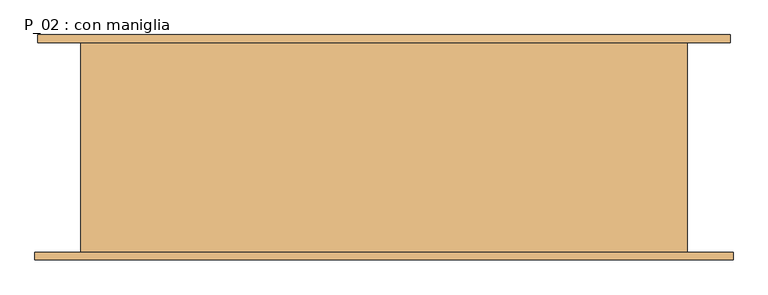
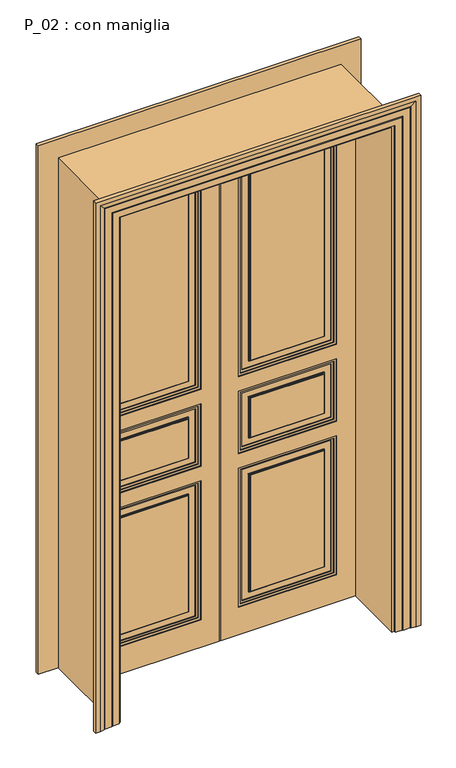
"""IFC4 building model written with IfcOpenShell, lengths in millimetres: door geometry, P_02 : con maniglia."""

from ifc_helpers import new_model, si_unit, frame, origin, origin_with_axes, place, context, project, spatial, polyline, outline, extrude, faceted_brep, source, transform, mapped, element, save


def p_02_con_maniglia_a0a0f9e9(model_context):
    return source(origin(), model_context, "Body", "SolidModel", [
        extrude(outline(polyline([(0.0, -615.0), (0.0, -610.0), (2395.0, -610.0), (2395.0, -2.5), (2400.0, -2.5), (2400.0, -615.0), (0.0, -615.0)])), frame((0.0, 85.0, 0.0), z_axis=(0.0, 1.0, 0.0), x_axis=(0.0, 0.0, 1.0)), (0.0, 0.0, 1.0), 5.0),
        extrude(outline(polyline([(0.0, 610.0), (0.0, 615.0), (2400.0, 615.0), (2400.0, 2.5), (2395.0, 2.5), (2395.0, 610.0), (0.0, 610.0)])), frame((0.0, 85.0, 0.0), z_axis=(0.0, 1.0, 0.0), x_axis=(0.0, 0.0, 1.0)), (0.0, 0.0, 1.0), 5.0),
        extrude(outline(polyline([(2.5, 97.0), (20.0, 97.0), (20.0, 90.0), (2.5, 90.0), (2.5, 97.0)])), frame((0.0, 0.0, 2395.0), z_axis=(0.0, 0.0, 1.0), x_axis=(1.0, 0.0, 0.0)), (0.0, 0.0, 1.0), 5.0),
        extrude(outline(polyline([(-2.5, 97.0), (-2.5, 90.0), (-20.0, 90.0), (-20.0, 97.0), (-2.5, 97.0)])), frame((0.0, 0.0, 2395.0), z_axis=(0.0, 0.0, 1.0), x_axis=(1.0, 0.0, 0.0)), (0.0, 0.0, 1.0), 5.0),
        extrude(outline(polyline([(2.5, 97.0), (20.0, 97.0), (20.0, 90.0), (2.5, 90.0), (2.5, 97.0)])), frame((0.0, 0.0, 2395.0), z_axis=(0.0, 0.0, 1.0), x_axis=(1.0, 0.0, 0.0)), (0.0, 0.0, 1.0), 5.0),
        extrude(outline(polyline([(-2.5, 97.0), (-2.5, 90.0), (-20.0, 90.0), (-20.0, 97.0), (-2.5, 97.0)])), frame((0.0, 0.0, 2395.0), z_axis=(0.0, 0.0, 1.0), x_axis=(1.0, 0.0, 0.0)), (0.0, 0.0, 1.0), 5.0),
        extrude(outline(polyline([(15.0, 97.0), (-15.0, 97.0), (-15.0, 107.0), (15.0, 107.0), (15.0, 97.0)])), origin_with_axes(), (0.0, 0.0, 1.0), 2400.0),
        extrude(outline(polyline([(20.0, 97.0), (15.0, 97.0), (15.0, 102.0), (20.0, 102.0), (20.0, 97.0)])), origin_with_axes(), (0.0, 0.0, 1.0), 2400.0),
        extrude(outline(polyline([(-15.0, 97.0), (-20.0, 97.0), (-20.0, 102.0), (-15.0, 102.0), (-15.0, 97.0)])), origin_with_axes(), (0.0, 0.0, 1.0), 2400.0),
        extrude(outline(polyline([(-470.0, 75.0), (-140.0, 75.0), (-140.0, 67.0), (-470.0, 67.0), (-470.0, 75.0)])), frame((0.0, 0.0, 185.0), z_axis=(0.0, 0.0, 1.0), x_axis=(1.0, 0.0, 0.0)), (0.0, 0.0, 1.0), 550.0),
        extrude(outline(polyline([(-470.0, 75.0), (-140.0, 75.0), (-140.0, 67.0), (-470.0, 67.0), (-470.0, 75.0)])), frame((0.0, 0.0, 915.0), z_axis=(0.0, 0.0, 1.0), x_axis=(1.0, 0.0, 0.0)), (0.0, 0.0, 1.0), 185.0),
        extrude(outline(polyline([(-470.0, 75.0), (-140.0, 75.0), (-140.0, 67.0), (-470.0, 67.0), (-470.0, 75.0)])), frame((0.0, 0.0, 1280.0), z_axis=(0.0, 0.0, 1.0), x_axis=(1.0, 0.0, 0.0)), (0.0, 0.0, 1.0), 975.0),
        extrude(outline(polyline([(2300.0, -95.0), (2300.0, -515.0), (1235.0, -515.0), (1235.0, -95.0), (2300.0, -95.0)]), holes=[polyline([(2290.0, -105.0), (1245.0, -105.0), (1245.0, -505.0), (2290.0, -505.0), (2290.0, -105.0)])]), frame((0.0, 71.0, 0.0), z_axis=(0.0, 1.0, 0.0), x_axis=(0.0, 0.0, 1.0)), (0.0, 0.0, 1.0), 4.0),
        extrude(outline(polyline([(780.0, -95.0), (780.0, -515.0), (140.0, -515.0), (140.0, -95.0), (780.0, -95.0)]), holes=[polyline([(770.0, -105.0), (150.0, -105.0), (150.0, -505.0), (770.0, -505.0), (770.0, -105.0)])]), frame((0.0, 71.0, 0.0), z_axis=(0.0, 1.0, 0.0), x_axis=(0.0, 0.0, 1.0)), (0.0, 0.0, 1.0), 4.0),
        extrude(outline(polyline([(740.0, -135.0), (740.0, -475.0), (180.0, -475.0), (180.0, -135.0), (740.0, -135.0)]), holes=[polyline([(735.0, -140.0), (185.0, -140.0), (185.0, -470.0), (735.0, -470.0), (735.0, -140.0)])]), frame((0.0, 71.0, 0.0), z_axis=(0.0, 1.0, 0.0), x_axis=(0.0, 0.0, 1.0)), (0.0, 0.0, 1.0), 4.0),
        extrude(outline(polyline([(1145.0, -95.0), (1145.0, -515.0), (870.0, -515.0), (870.0, -95.0), (1145.0, -95.0)]), holes=[polyline([(1135.0, -105.0), (880.0, -105.0), (880.0, -505.0), (1135.0, -505.0), (1135.0, -105.0)])]), frame((0.0, 71.0, 0.0), z_axis=(0.0, 1.0, 0.0), x_axis=(0.0, 0.0, 1.0)), (0.0, 0.0, 1.0), 4.0),
        extrude(outline(polyline([(1105.0, -135.0), (1105.0, -475.0), (910.0, -475.0), (910.0, -135.0), (1105.0, -135.0)]), holes=[polyline([(1100.0, -140.0), (915.0, -140.0), (915.0, -470.0), (1100.0, -470.0), (1100.0, -140.0)])]), frame((0.0, 71.0, 0.0), z_axis=(0.0, 1.0, 0.0), x_axis=(0.0, 0.0, 1.0)), (0.0, 0.0, 1.0), 4.0),
        extrude(outline(polyline([(2260.0, -135.0), (2260.0, -475.0), (1275.0, -475.0), (1275.0, -135.0), (2260.0, -135.0)]), holes=[polyline([(2255.0, -140.0), (1280.0, -140.0), (1280.0, -470.0), (2255.0, -470.0), (2255.0, -140.0)])]), frame((0.0, 71.0, 0.0), z_axis=(0.0, 1.0, 0.0), x_axis=(0.0, 0.0, 1.0)), (0.0, 0.0, 1.0), 4.0),
        extrude(outline(polyline([(1225.0, -85.0), (2310.0, -85.0), (2310.0, -525.0), (1225.0, -525.0), (1225.0, -85.0)]), holes=[polyline([(2300.0, -95.0), (1235.0, -95.0), (1235.0, -515.0), (2300.0, -515.0), (2300.0, -95.0)])]), frame((0.0, 67.0, 0.0), z_axis=(0.0, 1.0, 0.0), x_axis=(0.0, 0.0, 1.0)), (0.0, 0.0, 1.0), 8.0),
        extrude(outline(polyline([(130.0, -525.0), (130.0, -85.0), (790.0, -85.0), (790.0, -525.0), (130.0, -525.0)]), holes=[polyline([(780.0, -95.0), (140.0, -95.0), (140.0, -515.0), (780.0, -515.0), (780.0, -95.0)])]), frame((0.0, 67.0, 0.0), z_axis=(0.0, 1.0, 0.0), x_axis=(0.0, 0.0, 1.0)), (0.0, 0.0, 1.0), 8.0),
        extrude(outline(polyline([(1155.0, -85.0), (1155.0, -525.0), (860.0, -525.0), (860.0, -85.0), (1155.0, -85.0)]), holes=[polyline([(870.0, -95.0), (870.0, -515.0), (1145.0, -515.0), (1145.0, -95.0), (870.0, -95.0)])]), frame((0.0, 67.0, 0.0), z_axis=(0.0, 1.0, 0.0), x_axis=(0.0, 0.0, 1.0)), (0.0, 0.0, 1.0), 8.0),
        extrude(outline(polyline([(0.0, -610.0), (0.0, -2.5), (2395.0, -2.5), (2395.0, -610.0), (0.0, -610.0)]), holes=[polyline([(1225.0, -85.0), (1225.0, -525.0), (2310.0, -525.0), (2310.0, -85.0), (1225.0, -85.0)]), polyline([(130.0, -85.0), (130.0, -525.0), (790.0, -525.0), (790.0, -85.0), (130.0, -85.0)]), polyline([(1155.0, -525.0), (1155.0, -85.0), (860.0, -85.0), (860.0, -525.0), (1155.0, -525.0)])]), frame((0.0, 63.0, 0.0), z_axis=(0.0, 1.0, 0.0), x_axis=(0.0, 0.0, 1.0)), (0.0, 0.0, 1.0), 12.0),
        extrude(outline(polyline([(140.0, 75.0), (470.0, 75.0), (470.0, 67.0), (140.0, 67.0), (140.0, 75.0)])), frame((0.0, 0.0, 185.0), z_axis=(0.0, 0.0, 1.0), x_axis=(1.0, 0.0, 0.0)), (0.0, 0.0, 1.0), 550.0),
        extrude(outline(polyline([(140.0, 75.0), (470.0, 75.0), (470.0, 67.0), (140.0, 67.0), (140.0, 75.0)])), frame((0.0, 0.0, 915.0), z_axis=(0.0, 0.0, 1.0), x_axis=(1.0, 0.0, 0.0)), (0.0, 0.0, 1.0), 185.0),
        extrude(outline(polyline([(140.0, 75.0), (470.0, 75.0), (470.0, 67.0), (140.0, 67.0), (140.0, 75.0)])), frame((0.0, 0.0, 1280.0), z_axis=(0.0, 0.0, 1.0), x_axis=(1.0, 0.0, 0.0)), (0.0, 0.0, 1.0), 975.0),
        extrude(outline(polyline([(2300.0, 95.0), (1235.0, 95.0), (1235.0, 515.0), (2300.0, 515.0), (2300.0, 95.0)]), holes=[polyline([(2290.0, 105.0), (2290.0, 505.0), (1245.0, 505.0), (1245.0, 105.0), (2290.0, 105.0)])]), frame((0.0, 71.0, 0.0), z_axis=(0.0, 1.0, 0.0), x_axis=(0.0, 0.0, 1.0)), (0.0, 0.0, 1.0), 4.0),
        extrude(outline(polyline([(780.0, 95.0), (140.0, 95.0), (140.0, 515.0), (780.0, 515.0), (780.0, 95.0)]), holes=[polyline([(770.0, 105.0), (770.0, 505.0), (150.0, 505.0), (150.0, 105.0), (770.0, 105.0)])]), frame((0.0, 71.0, 0.0), z_axis=(0.0, 1.0, 0.0), x_axis=(0.0, 0.0, 1.0)), (0.0, 0.0, 1.0), 4.0),
        extrude(outline(polyline([(740.0, 135.0), (180.0, 135.0), (180.0, 475.0), (740.0, 475.0), (740.0, 135.0)]), holes=[polyline([(735.0, 140.0), (735.0, 470.0), (185.0, 470.0), (185.0, 140.0), (735.0, 140.0)])]), frame((0.0, 71.0, 0.0), z_axis=(0.0, 1.0, 0.0), x_axis=(0.0, 0.0, 1.0)), (0.0, 0.0, 1.0), 4.0),
        extrude(outline(polyline([(1145.0, 95.0), (870.0, 95.0), (870.0, 515.0), (1145.0, 515.0), (1145.0, 95.0)]), holes=[polyline([(1135.0, 105.0), (1135.0, 505.0), (880.0, 505.0), (880.0, 105.0), (1135.0, 105.0)])]), frame((0.0, 71.0, 0.0), z_axis=(0.0, 1.0, 0.0), x_axis=(0.0, 0.0, 1.0)), (0.0, 0.0, 1.0), 4.0),
        extrude(outline(polyline([(1105.0, 135.0), (910.0, 135.0), (910.0, 475.0), (1105.0, 475.0), (1105.0, 135.0)]), holes=[polyline([(1100.0, 140.0), (1100.0, 470.0), (915.0, 470.0), (915.0, 140.0), (1100.0, 140.0)])]), frame((0.0, 71.0, 0.0), z_axis=(0.0, 1.0, 0.0), x_axis=(0.0, 0.0, 1.0)), (0.0, 0.0, 1.0), 4.0),
        extrude(outline(polyline([(2260.0, 135.0), (1275.0, 135.0), (1275.0, 475.0), (2260.0, 475.0), (2260.0, 135.0)]), holes=[polyline([(2255.0, 140.0), (2255.0, 470.0), (1280.0, 470.0), (1280.0, 140.0), (2255.0, 140.0)])]), frame((0.0, 71.0, 0.0), z_axis=(0.0, 1.0, 0.0), x_axis=(0.0, 0.0, 1.0)), (0.0, 0.0, 1.0), 4.0),
        extrude(outline(polyline([(1225.0, 85.0), (1225.0, 525.0), (2310.0, 525.0), (2310.0, 85.0), (1225.0, 85.0)]), holes=[polyline([(2300.0, 95.0), (2300.0, 515.0), (1235.0, 515.0), (1235.0, 95.0), (2300.0, 95.0)])]), frame((0.0, 67.0, 0.0), z_axis=(0.0, 1.0, 0.0), x_axis=(0.0, 0.0, 1.0)), (0.0, 0.0, 1.0), 8.0),
        extrude(outline(polyline([(130.0, 525.0), (790.0, 525.0), (790.0, 85.0), (130.0, 85.0), (130.0, 525.0)]), holes=[polyline([(780.0, 95.0), (780.0, 515.0), (140.0, 515.0), (140.0, 95.0), (780.0, 95.0)])]), frame((0.0, 67.0, 0.0), z_axis=(0.0, 1.0, 0.0), x_axis=(0.0, 0.0, 1.0)), (0.0, 0.0, 1.0), 8.0),
        extrude(outline(polyline([(1155.0, 85.0), (860.0, 85.0), (860.0, 525.0), (1155.0, 525.0), (1155.0, 85.0)]), holes=[polyline([(870.0, 95.0), (1145.0, 95.0), (1145.0, 515.0), (870.0, 515.0), (870.0, 95.0)])]), frame((0.0, 67.0, 0.0), z_axis=(0.0, 1.0, 0.0), x_axis=(0.0, 0.0, 1.0)), (0.0, 0.0, 1.0), 8.0),
        extrude(outline(polyline([(0.0, 610.0), (2395.0, 610.0), (2395.0, 2.5), (0.0, 2.5), (0.0, 610.0)]), holes=[polyline([(1225.0, 85.0), (2310.0, 85.0), (2310.0, 525.0), (1225.0, 525.0), (1225.0, 85.0)]), polyline([(130.0, 85.0), (790.0, 85.0), (790.0, 525.0), (130.0, 525.0), (130.0, 85.0)]), polyline([(1155.0, 525.0), (860.0, 525.0), (860.0, 85.0), (1155.0, 85.0), (1155.0, 525.0)])]), frame((0.0, 63.0, 0.0), z_axis=(0.0, 1.0, 0.0), x_axis=(0.0, 0.0, 1.0)), (0.0, 0.0, 1.0), 12.0),
        extrude(outline(polyline([(-140.0, 85.0), (-470.0, 85.0), (-470.0, 93.0), (-140.0, 93.0), (-140.0, 85.0)])), frame((0.0, 0.0, 185.0), z_axis=(0.0, 0.0, 1.0), x_axis=(1.0, 0.0, 0.0)), (0.0, 0.0, 1.0), 550.0),
        extrude(outline(polyline([(-140.0, 85.0), (-470.0, 85.0), (-470.0, 93.0), (-140.0, 93.0), (-140.0, 85.0)])), frame((0.0, 0.0, 915.0), z_axis=(0.0, 0.0, 1.0), x_axis=(1.0, 0.0, 0.0)), (0.0, 0.0, 1.0), 185.0),
        extrude(outline(polyline([(-140.0, 85.0), (-470.0, 85.0), (-470.0, 93.0), (-140.0, 93.0), (-140.0, 85.0)])), frame((0.0, 0.0, 1280.0), z_axis=(0.0, 0.0, 1.0), x_axis=(1.0, 0.0, 0.0)), (0.0, 0.0, 1.0), 975.0),
        extrude(outline(polyline([(2300.0, -95.0), (2300.0, -515.0), (1235.0, -515.0), (1235.0, -95.0), (2300.0, -95.0)]), holes=[polyline([(2290.0, -105.0), (1245.0, -105.0), (1245.0, -505.0), (2290.0, -505.0), (2290.0, -105.0)])]), frame((0.0, 85.0, 0.0), z_axis=(0.0, 1.0, 0.0), x_axis=(0.0, 0.0, 1.0)), (0.0, 0.0, 1.0), 4.0),
        extrude(outline(polyline([(780.0, -95.0), (780.0, -515.0), (140.0, -515.0), (140.0, -95.0), (780.0, -95.0)]), holes=[polyline([(770.0, -105.0), (150.0, -105.0), (150.0, -505.0), (770.0, -505.0), (770.0, -105.0)])]), frame((0.0, 85.0, 0.0), z_axis=(0.0, 1.0, 0.0), x_axis=(0.0, 0.0, 1.0)), (0.0, 0.0, 1.0), 4.0),
        extrude(outline(polyline([(740.0, -135.0), (740.0, -475.0), (180.0, -475.0), (180.0, -135.0), (740.0, -135.0)]), holes=[polyline([(735.0, -140.0), (185.0, -140.0), (185.0, -470.0), (735.0, -470.0), (735.0, -140.0)])]), frame((0.0, 85.0, 0.0), z_axis=(0.0, 1.0, 0.0), x_axis=(0.0, 0.0, 1.0)), (0.0, 0.0, 1.0), 4.0),
        extrude(outline(polyline([(1145.0, -95.0), (1145.0, -515.0), (870.0, -515.0), (870.0, -95.0), (1145.0, -95.0)]), holes=[polyline([(1135.0, -105.0), (880.0, -105.0), (880.0, -505.0), (1135.0, -505.0), (1135.0, -105.0)])]), frame((0.0, 85.0, 0.0), z_axis=(0.0, 1.0, 0.0), x_axis=(0.0, 0.0, 1.0)), (0.0, 0.0, 1.0), 4.0),
        extrude(outline(polyline([(1105.0, -135.0), (1105.0, -475.0), (910.0, -475.0), (910.0, -135.0), (1105.0, -135.0)]), holes=[polyline([(1100.0, -140.0), (915.0, -140.0), (915.0, -470.0), (1100.0, -470.0), (1100.0, -140.0)])]), frame((0.0, 85.0, 0.0), z_axis=(0.0, 1.0, 0.0), x_axis=(0.0, 0.0, 1.0)), (0.0, 0.0, 1.0), 4.0),
        extrude(outline(polyline([(2260.0, -135.0), (2260.0, -475.0), (1275.0, -475.0), (1275.0, -135.0), (2260.0, -135.0)]), holes=[polyline([(2255.0, -140.0), (1280.0, -140.0), (1280.0, -470.0), (2255.0, -470.0), (2255.0, -140.0)])]), frame((0.0, 85.0, 0.0), z_axis=(0.0, 1.0, 0.0), x_axis=(0.0, 0.0, 1.0)), (0.0, 0.0, 1.0), 4.0),
        extrude(outline(polyline([(1225.0, -85.0), (2310.0, -85.0), (2310.0, -525.0), (1225.0, -525.0), (1225.0, -85.0)]), holes=[polyline([(2300.0, -95.0), (1235.0, -95.0), (1235.0, -515.0), (2300.0, -515.0), (2300.0, -95.0)])]), frame((0.0, 85.0, 0.0), z_axis=(0.0, 1.0, 0.0), x_axis=(0.0, 0.0, 1.0)), (0.0, 0.0, 1.0), 8.0),
        extrude(outline(polyline([(130.0, -525.0), (130.0, -85.0), (790.0, -85.0), (790.0, -525.0), (130.0, -525.0)]), holes=[polyline([(780.0, -95.0), (140.0, -95.0), (140.0, -515.0), (780.0, -515.0), (780.0, -95.0)])]), frame((0.0, 85.0, 0.0), z_axis=(0.0, 1.0, 0.0), x_axis=(0.0, 0.0, 1.0)), (0.0, 0.0, 1.0), 8.0),
        extrude(outline(polyline([(1155.0, -85.0), (1155.0, -525.0), (860.0, -525.0), (860.0, -85.0), (1155.0, -85.0)]), holes=[polyline([(870.0, -95.0), (870.0, -515.0), (1145.0, -515.0), (1145.0, -95.0), (870.0, -95.0)])]), frame((0.0, 85.0, 0.0), z_axis=(0.0, 1.0, 0.0), x_axis=(0.0, 0.0, 1.0)), (0.0, 0.0, 1.0), 8.0),
        extrude(outline(polyline([(0.0, -610.0), (0.0, -2.5), (2395.0, -2.5), (2395.0, -610.0), (0.0, -610.0)]), holes=[polyline([(1225.0, -85.0), (1225.0, -525.0), (2310.0, -525.0), (2310.0, -85.0), (1225.0, -85.0)]), polyline([(130.0, -85.0), (130.0, -525.0), (790.0, -525.0), (790.0, -85.0), (130.0, -85.0)]), polyline([(1155.0, -525.0), (1155.0, -85.0), (860.0, -85.0), (860.0, -525.0), (1155.0, -525.0)])]), frame((0.0, 85.0, 0.0), z_axis=(0.0, 1.0, 0.0), x_axis=(0.0, 0.0, 1.0)), (0.0, 0.0, 1.0), 12.0),
        extrude(outline(polyline([(0.0, -615.0), (0.0, -610.0), (2395.0, -610.0), (2395.0, -2.5), (2400.0, -2.5), (2400.0, -615.0), (0.0, -615.0)])), frame((0.0, 85.0, 0.0), z_axis=(0.0, 1.0, 0.0), x_axis=(0.0, 0.0, 1.0)), (0.0, 0.0, 1.0), 5.0),
        extrude(outline(polyline([(-2.5, 75.0), (-615.0, 75.0), (-615.0, 85.0), (-2.5, 85.0), (-2.5, 75.0)])), origin_with_axes(), (0.0, 0.0, 1.0), 2400.0),
        extrude(outline(polyline([(615.0, 75.0), (2.5, 75.0), (2.5, 85.0), (615.0, 85.0), (615.0, 75.0)])), origin_with_axes(), (0.0, 0.0, 1.0), 2400.0),
        extrude(outline(polyline([(470.0, 85.0), (140.0, 85.0), (140.0, 93.0), (470.0, 93.0), (470.0, 85.0)])), frame((0.0, 0.0, 185.0), z_axis=(0.0, 0.0, 1.0), x_axis=(1.0, 0.0, 0.0)), (0.0, 0.0, 1.0), 550.0),
        extrude(outline(polyline([(470.0, 85.0), (140.0, 85.0), (140.0, 93.0), (470.0, 93.0), (470.0, 85.0)])), frame((0.0, 0.0, 915.0), z_axis=(0.0, 0.0, 1.0), x_axis=(1.0, 0.0, 0.0)), (0.0, 0.0, 1.0), 185.0),
        extrude(outline(polyline([(470.0, 85.0), (140.0, 85.0), (140.0, 93.0), (470.0, 93.0), (470.0, 85.0)])), frame((0.0, 0.0, 1280.0), z_axis=(0.0, 0.0, 1.0), x_axis=(1.0, 0.0, 0.0)), (0.0, 0.0, 1.0), 975.0),
        extrude(outline(polyline([(2300.0, 95.0), (1235.0, 95.0), (1235.0, 515.0), (2300.0, 515.0), (2300.0, 95.0)]), holes=[polyline([(2290.0, 105.0), (2290.0, 505.0), (1245.0, 505.0), (1245.0, 105.0), (2290.0, 105.0)])]), frame((0.0, 85.0, 0.0), z_axis=(0.0, 1.0, 0.0), x_axis=(0.0, 0.0, 1.0)), (0.0, 0.0, 1.0), 4.0),
        extrude(outline(polyline([(780.0, 95.0), (140.0, 95.0), (140.0, 515.0), (780.0, 515.0), (780.0, 95.0)]), holes=[polyline([(770.0, 105.0), (770.0, 505.0), (150.0, 505.0), (150.0, 105.0), (770.0, 105.0)])]), frame((0.0, 85.0, 0.0), z_axis=(0.0, 1.0, 0.0), x_axis=(0.0, 0.0, 1.0)), (0.0, 0.0, 1.0), 4.0),
        extrude(outline(polyline([(740.0, 135.0), (180.0, 135.0), (180.0, 475.0), (740.0, 475.0), (740.0, 135.0)]), holes=[polyline([(735.0, 140.0), (735.0, 470.0), (185.0, 470.0), (185.0, 140.0), (735.0, 140.0)])]), frame((0.0, 85.0, 0.0), z_axis=(0.0, 1.0, 0.0), x_axis=(0.0, 0.0, 1.0)), (0.0, 0.0, 1.0), 4.0),
        extrude(outline(polyline([(1145.0, 95.0), (870.0, 95.0), (870.0, 515.0), (1145.0, 515.0), (1145.0, 95.0)]), holes=[polyline([(1135.0, 105.0), (1135.0, 505.0), (880.0, 505.0), (880.0, 105.0), (1135.0, 105.0)])]), frame((0.0, 85.0, 0.0), z_axis=(0.0, 1.0, 0.0), x_axis=(0.0, 0.0, 1.0)), (0.0, 0.0, 1.0), 4.0),
        extrude(outline(polyline([(1105.0, 135.0), (910.0, 135.0), (910.0, 475.0), (1105.0, 475.0), (1105.0, 135.0)]), holes=[polyline([(1100.0, 140.0), (1100.0, 470.0), (915.0, 470.0), (915.0, 140.0), (1100.0, 140.0)])]), frame((0.0, 85.0, 0.0), z_axis=(0.0, 1.0, 0.0), x_axis=(0.0, 0.0, 1.0)), (0.0, 0.0, 1.0), 4.0),
        extrude(outline(polyline([(2260.0, 135.0), (1275.0, 135.0), (1275.0, 475.0), (2260.0, 475.0), (2260.0, 135.0)]), holes=[polyline([(2255.0, 140.0), (2255.0, 470.0), (1280.0, 470.0), (1280.0, 140.0), (2255.0, 140.0)])]), frame((0.0, 85.0, 0.0), z_axis=(0.0, 1.0, 0.0), x_axis=(0.0, 0.0, 1.0)), (0.0, 0.0, 1.0), 4.0),
        extrude(outline(polyline([(1225.0, 85.0), (1225.0, 525.0), (2310.0, 525.0), (2310.0, 85.0), (1225.0, 85.0)]), holes=[polyline([(2300.0, 95.0), (2300.0, 515.0), (1235.0, 515.0), (1235.0, 95.0), (2300.0, 95.0)])]), frame((0.0, 85.0, 0.0), z_axis=(0.0, 1.0, 0.0), x_axis=(0.0, 0.0, 1.0)), (0.0, 0.0, 1.0), 8.0),
        extrude(outline(polyline([(130.0, 525.0), (790.0, 525.0), (790.0, 85.0), (130.0, 85.0), (130.0, 525.0)]), holes=[polyline([(780.0, 95.0), (780.0, 515.0), (140.0, 515.0), (140.0, 95.0), (780.0, 95.0)])]), frame((0.0, 85.0, 0.0), z_axis=(0.0, 1.0, 0.0), x_axis=(0.0, 0.0, 1.0)), (0.0, 0.0, 1.0), 8.0),
        extrude(outline(polyline([(1155.0, 85.0), (860.0, 85.0), (860.0, 525.0), (1155.0, 525.0), (1155.0, 85.0)]), holes=[polyline([(870.0, 95.0), (1145.0, 95.0), (1145.0, 515.0), (870.0, 515.0), (870.0, 95.0)])]), frame((0.0, 85.0, 0.0), z_axis=(0.0, 1.0, 0.0), x_axis=(0.0, 0.0, 1.0)), (0.0, 0.0, 1.0), 8.0),
        extrude(outline(polyline([(0.0, 610.0), (2395.0, 610.0), (2395.0, 2.5), (0.0, 2.5), (0.0, 610.0)]), holes=[polyline([(1225.0, 85.0), (2310.0, 85.0), (2310.0, 525.0), (1225.0, 525.0), (1225.0, 85.0)]), polyline([(130.0, 85.0), (790.0, 85.0), (790.0, 525.0), (130.0, 525.0), (130.0, 85.0)]), polyline([(1155.0, 525.0), (860.0, 525.0), (860.0, 85.0), (1155.0, 85.0), (1155.0, 525.0)])]), frame((0.0, 85.0, 0.0), z_axis=(0.0, 1.0, 0.0), x_axis=(0.0, 0.0, 1.0)), (0.0, 0.0, 1.0), 12.0),
        extrude(outline(polyline([(0.0, 610.0), (0.0, 615.0), (2400.0, 615.0), (2400.0, 2.5), (2395.0, 2.5), (2395.0, 610.0), (0.0, 610.0)])), frame((0.0, 85.0, 0.0), z_axis=(0.0, 1.0, 0.0), x_axis=(0.0, 0.0, 1.0)), (0.0, 0.0, 1.0), 5.0),
        faceted_brep([(725.0, 220.0, 0.0), (635.0, 220.0, 0.0), (635.0, -220.0, 0.0), (731.0, -220.0, 0.0), (731.0, -236.0, 0.0), (711.0, -236.0, 0.0), (691.0, -232.0291126, 0.0), (691.0, -231.0291126, 0.0), (686.0, -231.0291126, 0.0), (686.0, -230.0291126, 0.0), (656.0, -230.0291126, 0.0), (656.0, -229.0291126, 0.0), (651.0, -229.0291126, 0.0), (651.0, -228.0291126, 0.0), (621.0, -228.0291126, 0.0), (621.0, -220.0, 0.0), (611.0, -220.0, 0.0), (611.0, 220.0, 0.0), (621.0, 220.0, 0.0), (621.0, 228.0291126, 0.0), (651.0, 228.0291126, 0.0), (651.0, 229.0291126, 0.0), (656.0, 229.0291126, 0.0), (656.0, 230.0291126, 0.0), (680.0, 230.0291126, 0.0), (680.0, 231.0291126, 0.0), (685.0, 231.0291126, 0.0), (685.0, 232.0291126, 0.0), (705.0, 236.0, 0.0), (725.0, 236.0, 0.0), (725.0, 220.0, 2510.0), (-725.0, 220.0, 2510.0), (-725.0, 220.0, 0.0), (-635.0, 220.0, 0.0), (-635.0, 220.0, 2420.0), (635.0, 220.0, 2420.0), (635.0, -220.0, 2420.0), (-635.0, -220.0, 2420.0), (-635.0, -220.0, 0.0), (-731.0, -220.0, 0.0), (-731.0, -220.0, 2516.0), (731.0, -220.0, 2516.0), (731.0, -236.0, 2516.0), (-731.0, -236.0, 2516.0), (-731.0, -236.0, 0.0), (-711.0, -236.0, 0.0), (-711.0, -236.0, 2496.0), (711.0, -236.0, 2496.0), (691.0, -232.0291126, 2476.0), (691.0, -231.0291126, 2476.0), (-691.0, -231.0291126, 2476.0), (-691.0, -231.0291126, 0.0), (-686.0, -231.0291126, 0.0), (-686.0, -231.0291126, 2471.0), (686.0, -231.0291126, 2471.0), (686.0, -230.0291126, 2471.0), (-686.0, -230.0291126, 2471.0), (-686.0, -230.0291126, 0.0), (-656.0, -230.0291126, 0.0), (-656.0, -230.0291126, 2441.0), (656.0, -230.0291126, 2441.0), (656.0, -229.0291126, 2441.0), (-656.0, -229.0291126, 2441.0), (-656.0, -229.0291126, 0.0), (-651.0, -229.0291126, 0.0), (-651.0, -229.0291126, 2436.0), (651.0, -229.0291126, 2436.0), (651.0, -228.0291126, 2436.0), (-651.0, -228.0291126, 2436.0), (-651.0, -228.0291126, 0.0), (-621.0, -228.0291126, 0.0), (-621.0, -228.0291126, 2406.0), (621.0, -228.0291126, 2406.0), (621.0, -220.0, 2406.0), (-621.0, -220.0, 2406.0), (-621.0, -220.0, 0.0), (-611.0, -220.0, 0.0), (-611.0, -220.0, 2396.0), (611.0, -220.0, 2396.0), (611.0, 220.0, 2396.0), (-611.0, 220.0, 2396.0), (-611.0, 220.0, 0.0), (-621.0, 220.0, 0.0), (-621.0, 220.0, 2406.0), (621.0, 220.0, 2406.0), (621.0, 228.0291126, 2406.0), (-621.0, 228.0291126, 2406.0), (-621.0, 228.0291126, 0.0), (-651.0, 228.0291126, 0.0), (-651.0, 228.0291126, 2436.0), (651.0, 228.0291126, 2436.0), (651.0, 229.0291126, 2436.0), (-651.0, 229.0291126, 2436.0), (-651.0, 229.0291126, 0.0), (-656.0, 229.0291126, 0.0), (-656.0, 229.0291126, 2441.0), (656.0, 229.0291126, 2441.0), (656.0, 230.0291126, 2441.0), (-656.0, 230.0291126, 2441.0), (-656.0, 230.0291126, 0.0), (-680.0, 230.0291126, 0.0), (-680.0, 230.0291126, 2465.0), (680.0, 230.0291126, 2465.0), (680.0, 231.0291126, 2465.0), (-680.0, 231.0291126, 2465.0), (-680.0, 231.0291126, 0.0), (-685.0, 231.0291126, 0.0), (-685.0, 231.0291126, 2470.0), (685.0, 231.0291126, 2470.0), (685.0, 232.0291126, 2470.0), (705.0, 236.0, 2490.0), (-705.0, 236.0, 2490.0), (-705.0, 236.0, 0.0), (-725.0, 236.0, 0.0), (-725.0, 236.0, 2510.0), (725.0, 236.0, 2510.0), (-685.0, 232.0291126, 0.0), (-691.0, -232.0291126, 0.0), (-685.0, 232.0291126, 2470.0), (-691.0, -232.0291126, 2476.0)], [[[0, 1, 2, 3, 4, 5, 6, 7, 8, 9, 10, 11, 12, 13, 14, 15, 16, 17, 18, 19, 20, 21, 22, 23, 24, 25, 26, 27, 28, 29]], [[1, 0, 30, 31, 32, 33, 34, 35]], [[2, 1, 35, 36]], [[3, 2, 36, 37, 38, 39, 40, 41]], [[4, 3, 41, 42]], [[5, 4, 42, 43, 44, 45, 46, 47]], [[6, 5, 47, 48]], [[7, 6, 48, 49]], [[8, 7, 49, 50, 51, 52, 53, 54]], [[9, 8, 54, 55]], [[10, 9, 55, 56, 57, 58, 59, 60]], [[11, 10, 60, 61]], [[12, 11, 61, 62, 63, 64, 65, 66]], [[13, 12, 66, 67]], [[14, 13, 67, 68, 69, 70, 71, 72]], [[15, 14, 72, 73]], [[16, 15, 73, 74, 75, 76, 77, 78]], [[17, 16, 78, 79]], [[18, 17, 79, 80, 81, 82, 83, 84]], [[19, 18, 84, 85]], [[20, 19, 85, 86, 87, 88, 89, 90]], [[21, 20, 90, 91]], [[22, 21, 91, 92, 93, 94, 95, 96]], [[23, 22, 96, 97]], [[24, 23, 97, 98, 99, 100, 101, 102]], [[25, 24, 102, 103]], [[26, 25, 103, 104, 105, 106, 107, 108]], [[27, 26, 108, 109]], [[28, 27, 109, 110]], [[29, 28, 110, 111, 112, 113, 114, 115]], [[0, 29, 115, 30]], [[31, 114, 113, 32]], [[32, 113, 112, 116, 106, 105, 100, 99, 94, 93, 88, 87, 82, 81, 76, 75, 70, 69, 64, 63, 58, 57, 52, 51, 117, 45, 44, 39, 38, 33]], [[37, 34, 33, 38]], [[74, 71, 70, 75]], [[80, 77, 76, 81]], [[86, 83, 82, 87]], [[111, 118, 116, 112]], [[118, 107, 106, 116]], [[104, 101, 100, 105]], [[98, 95, 94, 99]], [[92, 89, 88, 93]], [[68, 65, 64, 69]], [[62, 59, 58, 63]], [[56, 53, 52, 57]], [[50, 119, 117, 51]], [[119, 46, 45, 117]], [[43, 40, 39, 44]], [[30, 115, 114, 31]], [[36, 35, 34, 37]], [[73, 72, 71, 74]], [[79, 78, 77, 80]], [[85, 84, 83, 86]], [[91, 90, 89, 92]], [[97, 96, 95, 98]], [[103, 102, 101, 104]], [[109, 108, 107, 118]], [[110, 109, 118, 111]], [[42, 41, 40, 43]], [[48, 47, 46, 119]], [[49, 48, 119, 50]], [[55, 54, 53, 56]], [[61, 60, 59, 62]], [[67, 66, 65, 68]]]),
    ])


if __name__ == "__main__":
    model = new_model("IFC4")
    model_context = context("Model", 3, world=origin())
    ifc_project = project(units=[si_unit("LENGTHUNIT", "METRE", prefix="MILLI")], contexts=[model_context])
    site = spatial("IfcSite", under=ifc_project)
    building = spatial("IfcBuilding", under=site)
    placement = place(None, origin())
    p_02_con_maniglia_shape = p_02_con_maniglia_a0a0f9e9(model_context)
    element("IfcDoor", 1, ObjectType="P_02 : con maniglia", at=placement, inside=building, context=model_context, shape_type="MappedRepresentation", body=[
        mapped(p_02_con_maniglia_shape, transform((0.0, 0.0, 0.0), x_axis=(1.0, 0.0, 0.0), y_axis=(0.0, 1.0, 0.0), z_axis=(0.0, 0.0, 1.0))),
    ])
    save(model, "model.ifc")
